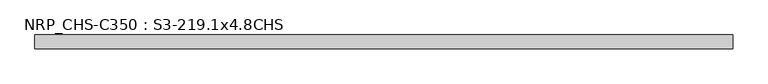
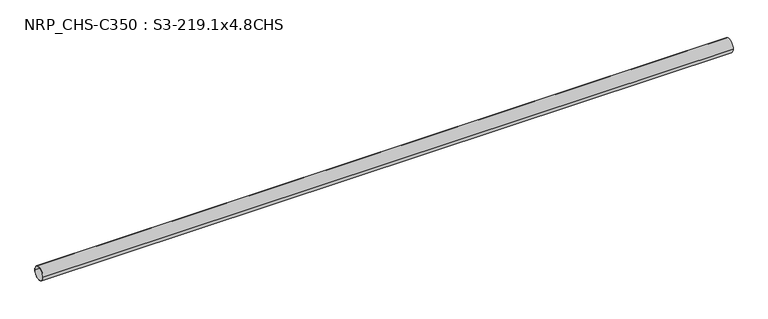
"""IFC4 building model written with IfcOpenShell, lengths in millimetres: beam geometry, NRP_CHS-C350 : S3-219.1x4.8CHS."""

from ifc_helpers import new_model, si_unit, point, frame, origin, origin_2d, place, context, project, spatial, circle_curve, trimmed, segment, composite_curve, outline, extrude, source, transform, mapped, element, save


def nrp_chs_c350_s3_219_1x4_8chs_443a7743(model_context):
    return source(origin(), model_context, "Body", "SweptSolid", [
        extrude(outline(composite_curve([segment(trimmed(circle_curve(origin_2d(), 109.55), [point((109.55, 0.0))], [point((-109.55, 0.0))], False, "CARTESIAN"), True, "CONTINUOUS"), segment(trimmed(circle_curve(origin_2d(), 109.55), [point((-109.55, 0.0))], [point((109.55, 0.0))], False, "CARTESIAN"), True, "CONTINUOUS")], self_intersect=False), holes=[composite_curve([segment(trimmed(circle_curve(origin_2d(), 104.75), [point((-104.75, 0.0))], [point((104.75, 0.0))], True, "CARTESIAN"), True, "CONTINUOUS"), segment(trimmed(circle_curve(origin_2d(), 104.75), [point((104.75, 0.0))], [point((-104.75, 0.0))], True, "CARTESIAN"), True, "CONTINUOUS")], self_intersect=False)]), frame((-5542.3, 0.0, 0.0), z_axis=(1.0, 0.0, 0.0), x_axis=(0.0, 1.0, 0.0)), (0.0, 0.0, 1.0), 11015.8),
    ])


if __name__ == "__main__":
    model = new_model("IFC4")
    model_context = context("Model", 3, world=origin())
    ifc_project = project(units=[si_unit("LENGTHUNIT", "METRE", prefix="MILLI")], contexts=[model_context])
    site = spatial("IfcSite", under=ifc_project)
    building = spatial("IfcBuilding", under=site)
    placement = place(None, origin())
    nrp_chs_c350_s3_219_1x4_8chs_shape = nrp_chs_c350_s3_219_1x4_8chs_443a7743(model_context)
    element("IfcBeam", 1, ObjectType="NRP_CHS-C350 : S3-219.1x4.8CHS", at=placement, inside=building, context=model_context, shape_type="MappedRepresentation", body=[
        mapped(nrp_chs_c350_s3_219_1x4_8chs_shape, transform((0.0, 0.0, 0.0), x_axis=(1.0, 0.0, 0.0), y_axis=(0.0, 1.0, 0.0), z_axis=(0.0, 0.0, 1.0))),
    ])
    save(model, "model.ifc")
